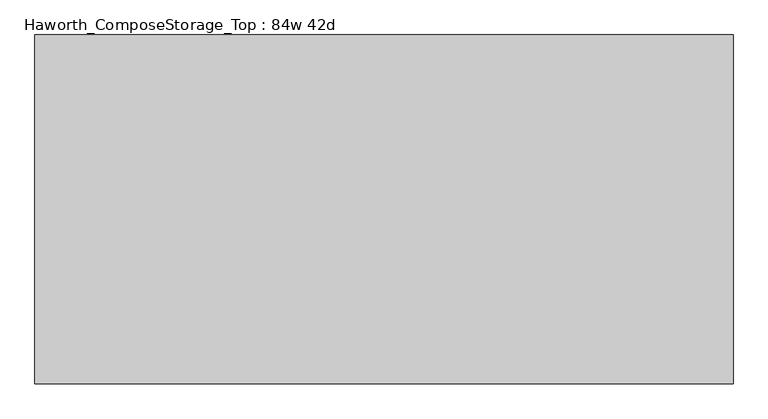
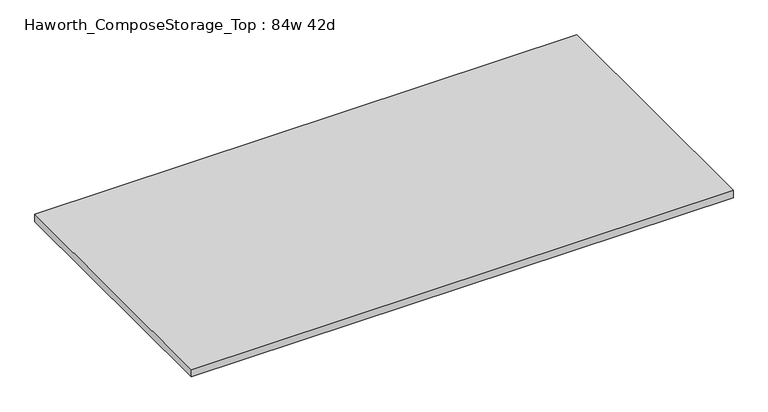
"""IFC4 building model written with IfcOpenShell, lengths in millimetres: furniture geometry, Haworth_ComposeStorage_Top : 84w 42d."""

from ifc_helpers import new_model, si_unit, frame, origin, place, context, project, spatial, polyline, outline, extrude, source, transform, mapped, element, save


def haworth_composestorage_top_84w_42d_784ed595(model_context):
    return source(origin(), model_context, "Body", "SweptSolid", [
        extrude(outline(polyline([(1066.8, 533.4), (1066.8, -533.4), (-1066.8, -533.4), (-1066.8, 533.4), (1066.8, 533.4)])), frame((0.0, 0.0, 706.4375), z_axis=(0.0, 0.0, 1.0), x_axis=(1.0, 0.0, 0.0)), (0.0, 0.0, 1.0), 30.1625),
    ])


if __name__ == "__main__":
    model = new_model("IFC4")
    model_context = context("Model", 3, world=origin())
    ifc_project = project(units=[si_unit("LENGTHUNIT", "METRE", prefix="MILLI")], contexts=[model_context])
    site = spatial("IfcSite", under=ifc_project)
    building = spatial("IfcBuilding", under=site)
    placement = place(None, origin())
    haworth_composestorage_top_84w_42d_shape = haworth_composestorage_top_84w_42d_784ed595(model_context)
    element("IfcFurniture", 1, ObjectType="Haworth_ComposeStorage_Top : 84w 42d", at=placement, inside=building, context=model_context, shape_type="MappedRepresentation", body=[
        mapped(haworth_composestorage_top_84w_42d_shape, transform((0.0, 0.0, 0.0), x_axis=(1.0, 0.0, 0.0), y_axis=(0.0, 1.0, 0.0), z_axis=(0.0, 0.0, 1.0))),
    ])
    save(model, "model.ifc")
